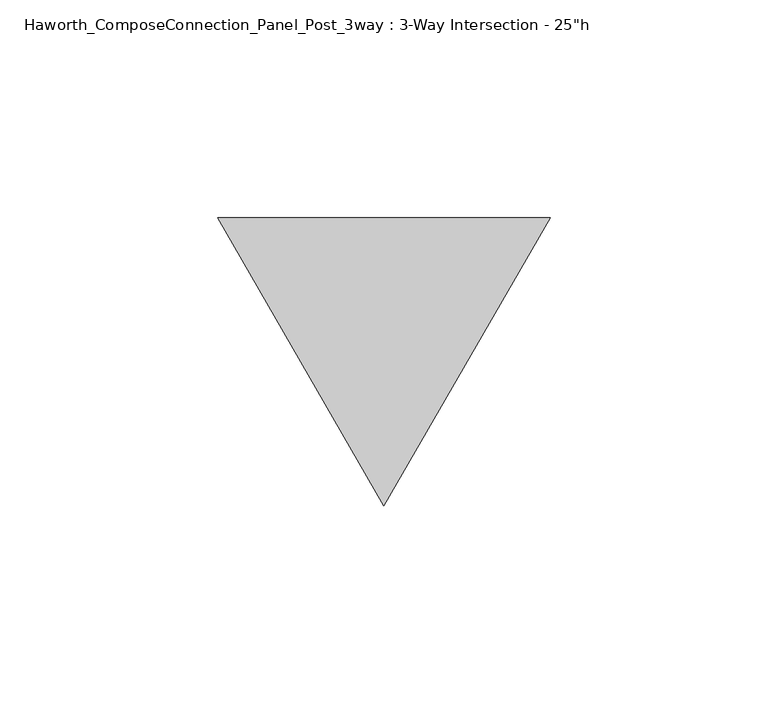
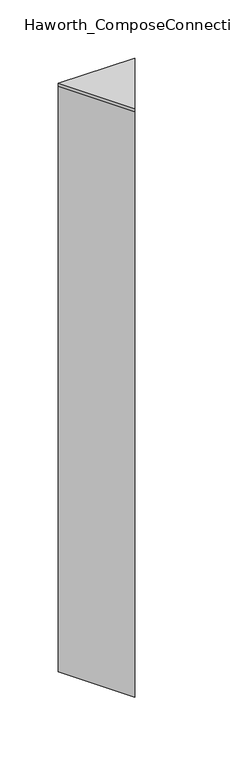
"""IFC4 building model written with IfcOpenShell, lengths in millimetres: furniture geometry."""

from ifc_helpers import new_model, si_unit, frame, origin, place, context, project, spatial, polyline, outline, extrude, source, transform, mapped, element, save


def furniture_09ca57a1(model_context):
    return source(origin(), model_context, "Body", "SweptSolid", [
        extrude(outline(polyline([(76.2, 32.9955679), (38.1, -32.9955679), (0.0, 32.9955679), (76.2, 32.9955679)])), frame((0.0, 0.0, 628.65), z_axis=(0.0, 0.0, 1.0), x_axis=(1.0, 0.0, 0.0)), (0.0, 0.0, 1.0), 3.175),
        extrude(outline(polyline([(76.2, 32.9955679), (38.1, -32.9955679), (0.0, 32.9955679), (76.2, 32.9955679)])), frame((0.0, 0.0, 12.7), z_axis=(0.0, 0.0, 1.0), x_axis=(1.0, 0.0, 0.0)), (0.0, 0.0, 1.0), 615.95),
    ])


if __name__ == "__main__":
    model = new_model("IFC4")
    model_context = context("Model", 3, world=origin())
    ifc_project = project(units=[si_unit("LENGTHUNIT", "METRE", prefix="MILLI")], contexts=[model_context])
    site = spatial("IfcSite", under=ifc_project)
    building = spatial("IfcBuilding", under=site)
    placement = place(None, origin())
    furniture_shape = furniture_09ca57a1(model_context)
    element("IfcFurniture", 1, ObjectType="Haworth_ComposeConnection_Panel_Post_3way : 3-Way Intersection - 25\"h", at=placement, inside=building, context=model_context, shape_type="MappedRepresentation", body=[
        mapped(furniture_shape, transform((0.0, 0.0, 0.0), x_axis=(1.0, 0.0, 0.0), y_axis=(0.0, 1.0, 0.0), z_axis=(0.0, 0.0, 1.0))),
    ])
    save(model, "model.ifc")
